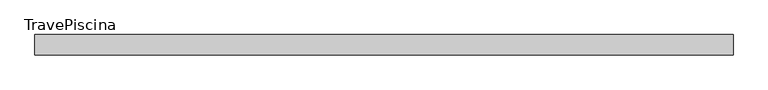
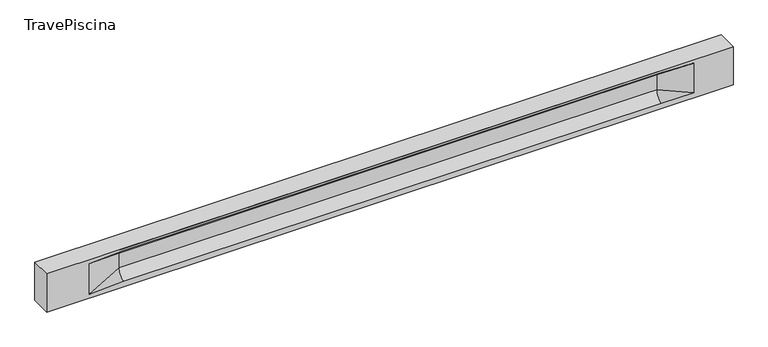
"""IFC4 building model written with IfcOpenShell, lengths in millimetres: beam geometry, TravePiscina."""

from ifc_helpers import new_model, si_unit, frame, origin, place, context, project, spatial, polyline, circle_curve, source, transform, mapped, element, save
from ifc_brep_helpers import plane_surface, revolved_surface, spline_surface, advanced_brep


def travepiscina_2a8b4af8(model_context):
    return source(origin(), model_context, "Body", "AdvancedBrep", [
        advanced_brep(
        [(8493.0, -250.0, 500.0), (8493.0, -250.0, -500.0), (8493.0, 250.0, -500.0), (8493.0, 250.0, 500.0), (-8493.0, -250.0, 500.0), (-8493.0, -250.0, -500.0), (7518.0, -250.0, -362.0), (6718.0, -250.0, -360.0), (-6593.0, -250.0, -360.0), (-7443.0, -250.0, -400.0), (-7443.0, -250.0, 400.0), (-6593.0, -250.0, 435.0), (6718.0, -250.0, 435.0), (7518.0, -250.0, 400.0), (-8493.0, 250.0, -500.0), (-8493.0, 250.0, 500.0), (7518.0, 250.0, 400.0), (6718.0, 250.0, 435.0), (-6593.0, 250.0, 435.0), (-7443.0, 250.0, 400.0), (-7443.0, 250.0, -400.0), (-6593.0, 250.0, -360.0), (6718.0, 250.0, -360.0), (7518.0, 250.0, -362.0), (6718.0, 155.0, 405.0), (-6593.0, 155.0, 405.0), (-6593.0, -60.0, 262.777021), (6718.0, -60.0, 262.777021), (6718.0, -155.0, 405.0), (-6593.0, -155.0, 405.0), (-6593.0, 60.0, 262.777021), (6718.0, 60.0, 262.777021), (6718.0, 60.0, -120.0), (-6593.0, 60.0, -120.0), (-6593.0, -60.0, -120.0), (6718.0, -60.0, -120.0)],
        [
            (0, 1),
            (1, 2),
            (2, 3),
            (3, 0),
            (0, 4),
            (4, 5),
            (5, 1),
            (6, 7),
            (7, 8),
            (8, 9),
            (9, 10),
            (10, 11),
            (11, 12),
            (12, 13),
            (13, 6),
            (5, 14),
            (14, 2),
            (14, 15),
            (15, 3),
            (16, 17),
            (17, 18),
            (18, 19),
            (19, 20),
            (20, 21),
            (21, 22),
            (22, 23),
            (23, 16),
            (15, 4),
            (17, 24),
            (24, 25),
            (25, 18),
            (26, 27),
            (27, 28, circle_curve(frame((6718.0, -213.9598725, 262.777021), z_axis=(1.0, 0.0, 0.0), x_axis=(0.0, 1.0, 0.0)), 153.9598725)),
            (28, 29),
            (29, 26, circle_curve(frame((-6593.0, -213.9598725, 262.777021), z_axis=(-1.0, 0.0, 0.0), x_axis=(0.0, 1.0, 0.0)), 153.9598725)),
            (30, 31),
            (31, 32),
            (32, 33),
            (33, 30),
            (28, 12),
            (11, 29),
            (34, 35),
            (35, 27),
            (26, 34),
            (25, 19),
            (22, 32, circle_curve(frame((6718.0, 306.5789474, -120.0), z_axis=(-1.0, 0.0, 0.0), x_axis=(0.0, 1.0, 0.0)), 246.5789474)),
            (32, 23),
            (10, 29),
            (10, 26),
            (13, 28),
            (27, 13),
            (30, 19),
            (25, 30, circle_curve(frame((-6593.0, 213.9598725, 262.777021), z_axis=(1.0, 0.0, 0.0), x_axis=(0.0, 1.0, 0.0)), 153.9598725)),
            (9, 34),
            (8, 34, circle_curve(frame((-6593.0, -306.5789474, -120.0), z_axis=(1.0, 0.0, 0.0), x_axis=(0.0, 1.0, 0.0)), 246.5789474)),
            (20, 33),
            (33, 21, circle_curve(frame((-6593.0, 306.5789474, -120.0), z_axis=(1.0, 0.0, 0.0), x_axis=(0.0, 1.0, 0.0)), 246.5789474)),
            (35, 6),
            (35, 7, circle_curve(frame((6718.0, -306.5789474, -120.0), z_axis=(-1.0, 0.0, 0.0), x_axis=(0.0, 1.0, 0.0)), 246.5789474)),
            (31, 16),
            (31, 24, circle_curve(frame((6718.0, 213.9598725, 262.777021), z_axis=(-1.0, 0.0, 0.0), x_axis=(0.0, 1.0, 0.0)), 153.9598725)),
            (24, 16),
        ],
        [
            plane_surface(frame((8493.0, 0.0, 0.0), z_axis=(1.0, 0.0, 0.0), x_axis=(0.0, 0.0, 1.0))),
            plane_surface(frame((8493.0, -250.0, 500.0), z_axis=(0.0, -1.0, 0.0), x_axis=(-1.0, 0.0, 0.0))),
            plane_surface(frame((8493.0, -250.0, -500.0), z_axis=(0.0, 0.0, -1.0), x_axis=(-1.0, 0.0, 0.0))),
            plane_surface(frame((8493.0, 250.0, -500.0), z_axis=(0.0, 1.0, 0.0), x_axis=(-1.0, 0.0, 0.0))),
            plane_surface(frame((8493.0, 250.0, 500.0), z_axis=(0.0, 0.0, 1.0), x_axis=(-1.0, 0.0, 0.0))),
            plane_surface(frame((-6593.0, 250.0, 435.0), z_axis=(0.0, 0.30113136793710954, -0.9535826651341378), x_axis=(1.0, 0.0, 0.0))),
            plane_surface(frame((-8493.0, 0.0, 0.0), z_axis=(-1.0, 0.0, 0.0), x_axis=(0.0, 0.0, 1.0))),
            revolved_surface(polyline([(6718.0, -60.0, 262.777021), (-6593.0, -60.0, 262.777021)]), (-6593.0, -213.9598725, 262.777021), (1.0, 0.0, 0.0)),
            plane_surface(frame((-6593.0, 60.0, 262.777021), z_axis=(0.0, 1.0, 0.0), x_axis=(1.0, 0.0, 0.0))),
            plane_surface(frame((-6593.0, -155.0, 405.0), z_axis=(0.0, -0.30113136793710693, -0.9535826651341387), x_axis=(1.0, 0.0, 0.0))),
            plane_surface(frame((-6593.0, -60.0, -120.0), z_axis=(0.0, -1.0, 0.0), x_axis=(1.0, 0.0, 0.0))),
            plane_surface(frame((-7443.0, 250.0, 400.0), z_axis=(0.03923493491469425, 0.30089950084952793, -0.9528484193567961), x_axis=(0.0, 0.9535826651341378, 0.30113136793710954))),
            spline_surface(2, 1, [[(6718.0, 250.0, -360.0), (7518.0, 250.0, -362.0)], [(6718.0, 60.00000002887427, -315.20833329480604), (7518.0, 250.0, -362.0)], [(6718.0, 60.0, -120.0), (7518.0, 250.0, -362.0)]], [3, 3], [2, 2], [0.0, 1.0], [0.0, 1.0], weights=[[1.0, 1.0], [0.7840458245391329, 0.7840458245391329], [1.0, 1.0]]),
            plane_surface(frame((-7443.0, -250.0, 400.0), z_axis=(0.03923493491469428, -0.3008995008495253, -0.952848419356797), x_axis=(0.0, 0.9535826651341387, -0.30113136793710693))),
            spline_surface(2, 1, [[(-7443.0, -250.0, 400.0), (-6593.0, -155.0, 405.0)], [(-7443.0, -250.0, 400.0), (-6593.0, -60.00000008030692, 365.6168572114734)], [(-7443.0, -250.0, 400.0), (-6593.0, -60.0, 262.777021)]], [3, 3], [2, 2], [0.0, 1.0], [0.0, 1.0], weights=[[1.0, 1.0], [0.8315515924557569, 0.8315515924557569], [1.0, 1.0]]),
            spline_surface(2, 1, [[(6718.0, -155.0, 405.0), (7518.0, -250.0, 400.0)], [(6718.0, -60.00000008030692, 365.6168572114734), (7518.0, -250.0, 400.0)], [(6718.0, -60.0, 262.777021), (7518.0, -250.0, 400.0)]], [3, 3], [2, 2], [0.0, 1.0], [0.0, 1.0], weights=[[1.0, 1.0], [0.8315515924557569, 0.8315515924557569], [1.0, 1.0]]),
            plane_surface(frame((6718.0, -202.5, 420.0), z_axis=(-0.04168298285568746, -0.30086965068766125, -0.9527538938442274), x_axis=(0.0, 0.9535826651341387, -0.30113136793710693))),
            spline_surface(2, 1, [[(-7443.0, 250.0, 400.0), (-6593.0, 60.0, 262.777021)], [(-7443.0, 250.0, 400.0), (-6593.0, 59.99999995452379, 365.6168572954922)], [(-7443.0, 250.0, 400.0), (-6593.0, 155.0, 405.0)]], [3, 3], [2, 2], [0.0, 1.0], [0.0, 1.0], weights=[[1.0, 1.0], [0.8315515921160737, 0.8315515921160737], [1.0, 1.0]]),
            plane_surface(frame((-7443.0, -250.0, 0.0), z_axis=(0.21814596370705175, -0.9759161534262673, 0.0), x_axis=(0.0, 0.0, -1.0))),
            spline_surface(2, 1, [[(-7443.0, -250.0, -400.0), (-6593.0, -60.0, -120.0)], [(-7443.0, -250.0, -400.0), (-6593.0, -59.99999998020837, -315.20833333333337)], [(-7443.0, -250.0, -400.0), (-6593.0, -250.0, -360.0)]], [3, 3], [2, 2], [0.0, 1.0], [0.0, 1.0], weights=[[1.0, 1.0], [0.7840458244617614, 0.7840458244617614], [1.0, 1.0]]),
            spline_surface(2, 1, [[(-7443.0, 250.0, -400.0), (-6593.0, 250.0, -360.0)], [(-7443.0, 250.0, -400.0), (-6593.0, 60.00000002887427, -315.20833329480604)], [(-7443.0, 250.0, -400.0), (-6593.0, 60.0, -120.0)]], [3, 3], [2, 2], [0.0, 1.0], [0.0, 1.0], weights=[[1.0, 1.0], [0.7840458245391329, 0.7840458245391329], [1.0, 1.0]]),
            plane_surface(frame((-7443.0, 250.0, 0.0), z_axis=(0.2181459637070477, 0.9759161534262683, 0.0), x_axis=(0.0, 0.0, 1.0))),
            plane_surface(frame((6718.0, -60.0, 71.3885105), z_axis=(-0.23107243079589737, -0.9729365507195602, 0.0), x_axis=(0.0, 0.0, -1.0))),
            spline_surface(2, 1, [[(6718.0, -60.0, -120.0), (7518.0, -250.0, -362.0)], [(6718.0, -59.99999998020837, -315.20833333333337), (7518.0, -250.0, -362.0)], [(6718.0, -250.0, -360.0), (7518.0, -250.0, -362.0)]], [3, 3], [2, 2], [0.0, 1.0], [0.0, 1.0], weights=[[1.0, 1.0], [0.7840458244617614, 0.7840458244617614], [1.0, 1.0]]),
            plane_surface(frame((6718.0, 60.0, 71.3885105), z_axis=(-0.23107243079589093, 0.9729365507195618, 0.0), x_axis=(0.0, 0.0, 1.0))),
            spline_surface(2, 1, [[(6718.0, 60.0, 262.777021), (7518.0, 250.0, 400.0)], [(6718.0, 59.99999995452379, 365.6168572954922), (7518.0, 250.0, 400.0)], [(6718.0, 155.0, 405.0), (7518.0, 250.0, 400.0)]], [3, 3], [2, 2], [0.0, 1.0], [0.0, 1.0], weights=[[1.0, 1.0], [0.8315515921160737, 0.8315515921160737], [1.0, 1.0]]),
            plane_surface(frame((6718.0, 202.5, 420.0), z_axis=(-0.04168298285568672, 0.30086965068766386, -0.9527538938442265), x_axis=(0.0, 0.9535826651341378, 0.30113136793710954))),
            revolved_surface(polyline([(6718.0, 367.919745, 262.777021), (-6593.0, 367.919745, 262.777021)]), (-6593.0, 213.9598725, 262.777021), (1.0, 0.0, 0.0)),
            revolved_surface(polyline([(6718.0, 553.1578948, -120.0), (-6593.0, 553.1578948, -120.0)]), (-6593.0, 306.5789474, -120.0), (1.0, 0.0, 0.0)),
            revolved_surface(polyline([(6718.0, -60.0, -120.0), (-6593.0, -60.0, -120.0)]), (-6593.0, -306.5789474, -120.0), (1.0, 0.0, 0.0)),
        ],
        [
            (0, [[1, 2, 3, 4]]),
            (1, [[-1, 5, 6, 7], [8, 9, 10, 11, 12, 13, 14, 15]]),
            (2, [[-2, -7, 16, 17]]),
            (3, [[-3, -17, 18, 19], [20, 21, 22, 23, 24, 25, 26, 27]]),
            (4, [[-5, -4, -19, 28]]),
            (5, [[-21, 29, 30, 31]]),
            (6, [[-28, -18, -16, -6]]),
            (7, [[32, 33, 34, 35]]),
            (8, [[36, 37, 38, 39]]),
            (9, [[-34, 40, -13, 41]]),
            (10, [[42, 43, -32, 44]]),
            (11, [[45, -22, -31]]),
            (12, [[-26, 46, 47]]),
            (13, [[-12, 48, -41]]),
            (14, [[-48, 49, -35]]),
            (15, [[50, -33, 51]]),
            (16, [[-14, -40, -50]]),
            (17, [[52, -45, 53]]),
            (18, [[-49, -11, 54, -44]]),
            (19, [[-54, -10, 55]]),
            (20, [[-24, 56, 57]]),
            (21, [[-52, -39, -56, -23]]),
            (22, [[-51, -43, 58, -15]]),
            (23, [[-58, 59, -8]]),
            (24, [[-47, -37, 60, -27]]),
            (25, [[-60, 61, 62]]),
            (26, [[-62, -29, -20]]),
            (27, [[-30, -61, -36, -53]]),
            (28, [[-38, -46, -25, -57]]),
            (29, [[-9, -59, -42, -55]]),
        ],
    ),
    ])


if __name__ == "__main__":
    model = new_model("IFC4")
    model_context = context("Model", 3, world=origin())
    ifc_project = project(units=[si_unit("LENGTHUNIT", "METRE", prefix="MILLI")], contexts=[model_context])
    site = spatial("IfcSite", under=ifc_project)
    building = spatial("IfcBuilding", under=site)
    placement = place(None, origin())
    travepiscina_shape = travepiscina_2a8b4af8(model_context)
    element("IfcBeam", 1, ObjectType="TravePiscina", at=placement, inside=building, context=model_context, shape_type="MappedRepresentation", body=[
        mapped(travepiscina_shape, transform((0.0, 0.0, 0.0), x_axis=(1.0, 0.0, 0.0), y_axis=(0.0, 1.0, 0.0), z_axis=(0.0, 0.0, 1.0))),
    ])
    save(model, "model.ifc")
